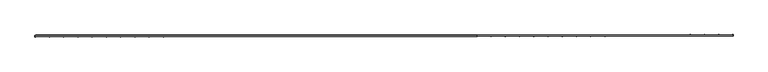
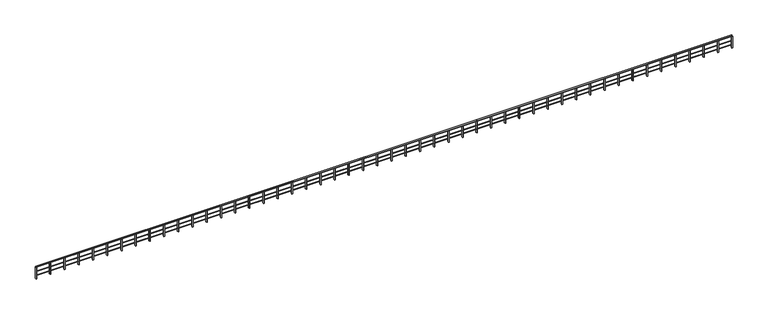
"""IFC4 building model written with IfcOpenShell, lengths in millimetres: railing geometry."""

from ifc_helpers import new_model, si_unit, point, frame, frame_2d, origin, place, context, project, spatial, polyline, circle_curve, trimmed, segment, composite_curve, outline, extrude, source, transform, mapped, element, save


def railing_6d8427d2(model_context):
    return source(origin(), model_context, "Body", "SweptSolid", [
        extrude(outline(polyline([(-29967.8674451, 93265.979979), (-29967.9749656, 93385.9799308), (7989.9281671, 93419.9903911), (7990.0356876, 93299.9904393), (-29967.8674451, 93265.979979)])), frame((0.0, 0.0, -2723.75), z_axis=(0.0, 0.0, 1.0), x_axis=(1.0, 0.0, 0.0)), (0.0, 0.0, 1.0), 50.0),
        extrude(outline(polyline([(7990.0809947, 93299.990497), (7989.88286, 93419.9903334), (29990.5770797, 93456.316217), (29990.7752144, 93336.3163806), (7990.0809947, 93299.990497)])), frame((0.0, 0.0, -2723.75), z_axis=(0.0, 0.0, 1.0), x_axis=(1.0, 0.0, 0.0)), (0.0, 0.0, 1.0), 50.0),
        extrude(outline(composite_curve([segment(trimmed(circle_curve(frame_2d((0.0, -15.0)), 15.0), [point((14.9999999, -15.0))], [point((-15.0, -15.0))], False, "CARTESIAN"), True, "CONTINUOUS"), segment(trimmed(circle_curve(frame_2d((0.0, -15.0)), 15.0), [point((-15.0, -15.0))], [point((14.9999999, -15.0))], False, "CARTESIAN"), True, "CONTINUOUS")], self_intersect=False)), frame((-29967.9525655, 93360.9799409, -3143.75), z_axis=(0.9999995985880149, 0.0008960043578402295, 0.0), x_axis=(-0.0008960043578402295, 0.9999995985880149, 0.0)), (0.0, 0.0, 1.0), 37957.8919404),
        extrude(outline(composite_curve([segment(trimmed(circle_curve(frame_2d((0.0, -15.0)), 15.0), [point((14.9999999, -15.0))], [point((-15.0, -15.0))], False, "CARTESIAN"), True, "CONTINUOUS"), segment(trimmed(circle_curve(frame_2d((0.0, -15.0)), 15.0), [point((-15.0, -15.0))], [point((14.9999999, -15.0))], False, "CARTESIAN"), True, "CONTINUOUS")], self_intersect=False)), frame((7989.9241381, 93394.9903675, -3143.75), z_axis=(0.9999986368968501, 0.001651122176512054, 0.0), x_axis=(-0.001651122176512054, 0.9999986368968501, 0.0)), (0.0, 0.0, 1.0), 22000.724209),
        extrude(outline(composite_curve([segment(trimmed(circle_curve(frame_2d((0.0, -15.0)), 15.0), [point((14.9999999, -15.0))], [point((-15.0, -15.0))], False, "CARTESIAN"), True, "CONTINUOUS"), segment(trimmed(circle_curve(frame_2d((0.0, -15.0)), 15.0), [point((-15.0, -15.0))], [point((14.9999999, -15.0))], False, "CARTESIAN"), True, "CONTINUOUS")], self_intersect=False)), frame((-29967.9525655, 93360.9799409, -3493.75), z_axis=(0.9999995985880149, 0.0008960043578402295, 0.0), x_axis=(-0.0008960043578402295, 0.9999995985880149, 0.0)), (0.0, 0.0, 1.0), 37957.8919404),
        extrude(outline(composite_curve([segment(trimmed(circle_curve(frame_2d((0.0, -15.0)), 15.0), [point((14.9999999, -15.0))], [point((-15.0, -15.0))], False, "CARTESIAN"), True, "CONTINUOUS"), segment(trimmed(circle_curve(frame_2d((0.0, -15.0)), 15.0), [point((-15.0, -15.0))], [point((14.9999999, -15.0))], False, "CARTESIAN"), True, "CONTINUOUS")], self_intersect=False)), frame((7989.9241381, 93394.9903675, -3493.75), z_axis=(0.9999986368968501, 0.001651122176512054, 0.0), x_axis=(-0.001651122176512054, 0.9999986368968501, 0.0)), (0.0, 0.0, 1.0), 22000.724209),
        extrude(outline(polyline([(28738.3163307, 93454.2485787), (28798.3162489, 93454.3476461), (28798.5143835, 93334.3478096), (28738.5144653, 93334.2487423), (28738.3163307, 93454.2485787)])), frame((0.0, 0.0, -3773.75), z_axis=(0.0, 0.0, 1.0), x_axis=(1.0, 0.0, 0.0)), (0.0, 0.0, 1.0), 1050.0),
        extrude(outline(polyline([(27516.0555407, 93452.2304741), (27576.0554589, 93452.3295414), (27576.2535935, 93332.329705), (27516.2536753, 93332.2306377), (27516.0555407, 93452.2304741)])), frame((0.0, 0.0, -3773.75), z_axis=(0.0, 0.0, 1.0), x_axis=(1.0, 0.0, 0.0)), (0.0, 0.0, 1.0), 1050.0),
        extrude(outline(polyline([(26293.7947507, 93450.2123694), (26353.7946689, 93450.3114368), (26353.9928036, 93330.3116003), (26293.9928854, 93330.212533), (26293.7947507, 93450.2123694)])), frame((0.0, 0.0, -3773.75), z_axis=(0.0, 0.0, 1.0), x_axis=(1.0, 0.0, 0.0)), (0.0, 0.0, 1.0), 1050.0),
        extrude(outline(polyline([(25071.5339607, 93448.1942648), (25131.5338789, 93448.2933321), (25131.7320136, 93328.2934957), (25071.7320954, 93328.1944284), (25071.5339607, 93448.1942648)])), frame((0.0, 0.0, -3773.75), z_axis=(0.0, 0.0, 1.0), x_axis=(1.0, 0.0, 0.0)), (0.0, 0.0, 1.0), 1050.0),
        extrude(outline(polyline([(23849.2731707, 93446.1761601), (23909.2730889, 93446.2752275), (23909.4712236, 93326.2753911), (23849.4713054, 93326.1763237), (23849.2731707, 93446.1761601)])), frame((0.0, 0.0, -3773.75), z_axis=(0.0, 0.0, 1.0), x_axis=(1.0, 0.0, 0.0)), (0.0, 0.0, 1.0), 1050.0),
        extrude(outline(polyline([(22627.0123807, 93444.1580555), (22687.012299, 93444.2571228), (22687.2104336, 93324.2572864), (22627.2105154, 93324.1582191), (22627.0123807, 93444.1580555)])), frame((0.0, 0.0, -3773.75), z_axis=(0.0, 0.0, 1.0), x_axis=(1.0, 0.0, 0.0)), (0.0, 0.0, 1.0), 1050.0),
        extrude(outline(polyline([(21404.7515908, 93442.1399509), (21464.751509, 93442.2390182), (21464.9496436, 93322.2391818), (21404.9497254, 93322.1401144), (21404.7515908, 93442.1399509)])), frame((0.0, 0.0, -3773.75), z_axis=(0.0, 0.0, 1.0), x_axis=(1.0, 0.0, 0.0)), (0.0, 0.0, 1.0), 1050.0),
        extrude(outline(polyline([(20182.4908008, 93440.1218462), (20242.490719, 93440.2209135), (20242.6888536, 93320.2210771), (20182.6889354, 93320.1220098), (20182.4908008, 93440.1218462)])), frame((0.0, 0.0, -3773.75), z_axis=(0.0, 0.0, 1.0), x_axis=(1.0, 0.0, 0.0)), (0.0, 0.0, 1.0), 1050.0),
        extrude(outline(polyline([(18960.2300108, 93438.1037416), (19020.229929, 93438.2028089), (19020.4280637, 93318.2029725), (18960.4281454, 93318.1039051), (18960.2300108, 93438.1037416)])), frame((0.0, 0.0, -3773.75), z_axis=(0.0, 0.0, 1.0), x_axis=(1.0, 0.0, 0.0)), (0.0, 0.0, 1.0), 1050.0),
        extrude(outline(polyline([(17737.9692208, 93436.0856369), (17797.969139, 93436.1847042), (17798.1672737, 93316.1848678), (17738.1673555, 93316.0858005), (17737.9692208, 93436.0856369)])), frame((0.0, 0.0, -3773.75), z_axis=(0.0, 0.0, 1.0), x_axis=(1.0, 0.0, 0.0)), (0.0, 0.0, 1.0), 1050.0),
        extrude(outline(polyline([(16515.7084308, 93434.0675323), (16575.708349, 93434.1665996), (16575.9064837, 93314.1667632), (16515.9065655, 93314.0676958), (16515.7084308, 93434.0675323)])), frame((0.0, 0.0, -3773.75), z_axis=(0.0, 0.0, 1.0), x_axis=(1.0, 0.0, 0.0)), (0.0, 0.0, 1.0), 1050.0),
        extrude(outline(polyline([(15293.4476408, 93432.0494276), (15353.4475591, 93432.148495), (15353.6456937, 93312.1486585), (15293.6457755, 93312.0495912), (15293.4476408, 93432.0494276)])), frame((0.0, 0.0, -3773.75), z_axis=(0.0, 0.0, 1.0), x_axis=(1.0, 0.0, 0.0)), (0.0, 0.0, 1.0), 1050.0),
        extrude(outline(polyline([(14071.1868509, 93430.031323), (14131.1867691, 93430.1303903), (14131.3849037, 93310.1305539), (14071.3849855, 93310.0314865), (14071.1868509, 93430.031323)])), frame((0.0, 0.0, -3773.75), z_axis=(0.0, 0.0, 1.0), x_axis=(1.0, 0.0, 0.0)), (0.0, 0.0, 1.0), 1050.0),
        extrude(outline(polyline([(12848.9260609, 93428.0132183), (12908.9259791, 93428.1122857), (12909.1241137, 93308.1124492), (12849.1241955, 93308.0133819), (12848.9260609, 93428.0132183)])), frame((0.0, 0.0, -3773.75), z_axis=(0.0, 0.0, 1.0), x_axis=(1.0, 0.0, 0.0)), (0.0, 0.0, 1.0), 1050.0),
        extrude(outline(polyline([(11626.6652709, 93425.9951137), (11686.6651891, 93426.094181), (11686.8633238, 93306.0943446), (11626.8634055, 93305.9952773), (11626.6652709, 93425.9951137)])), frame((0.0, 0.0, -3773.75), z_axis=(0.0, 0.0, 1.0), x_axis=(1.0, 0.0, 0.0)), (0.0, 0.0, 1.0), 1050.0),
        extrude(outline(polyline([(10404.4044809, 93423.977009), (10464.4043991, 93424.0760764), (10464.6025338, 93304.0762399), (10404.6026156, 93303.9771726), (10404.4044809, 93423.977009)])), frame((0.0, 0.0, -3773.75), z_axis=(0.0, 0.0, 1.0), x_axis=(1.0, 0.0, 0.0)), (0.0, 0.0, 1.0), 1050.0),
        extrude(outline(polyline([(9182.1436909, 93421.9589044), (9242.1436091, 93422.0579717), (9242.3417438, 93302.0581353), (9182.3418256, 93301.959068), (9182.1436909, 93421.9589044)])), frame((0.0, 0.0, -3773.75), z_axis=(0.0, 0.0, 1.0), x_axis=(1.0, 0.0, 0.0)), (0.0, 0.0, 1.0), 1050.0),
        extrude(outline(polyline([(6735.479691, 93418.8663994), (6795.4796669, 93418.9201596), (6795.5871874, 93298.9202078), (6735.5872115, 93298.8664475), (6735.479691, 93418.8663994)])), frame((0.0, 0.0, -3773.75), z_axis=(0.0, 0.0, 1.0), x_axis=(1.0, 0.0, 0.0)), (0.0, 0.0, 1.0), 1050.0),
        extrude(outline(polyline([(5511.0312028, 93417.7692877), (5571.0311788, 93417.823048), (5571.1386993, 93297.8230962), (5511.1387234, 93297.7693359), (5511.0312028, 93417.7692877)])), frame((0.0, 0.0, -3773.75), z_axis=(0.0, 0.0, 1.0), x_axis=(1.0, 0.0, 0.0)), (0.0, 0.0, 1.0), 1050.0),
        extrude(outline(polyline([(4286.5827147, 93416.6721761), (4346.5826906, 93416.7259364), (4346.6902111, 93296.7259845), (4286.6902352, 93296.6722243), (4286.5827147, 93416.6721761)])), frame((0.0, 0.0, -3773.75), z_axis=(0.0, 0.0, 1.0), x_axis=(1.0, 0.0, 0.0)), (0.0, 0.0, 1.0), 1050.0),
        extrude(outline(polyline([(3062.1342265, 93415.5750645), (3122.1342025, 93415.6288248), (3122.241723, 93295.6288729), (3062.2417471, 93295.5751127), (3062.1342265, 93415.5750645)])), frame((0.0, 0.0, -3773.75), z_axis=(0.0, 0.0, 1.0), x_axis=(1.0, 0.0, 0.0)), (0.0, 0.0, 1.0), 1050.0),
        extrude(outline(polyline([(1837.6857384, 93414.4779529), (1897.6857143, 93414.5317131), (1897.7932348, 93294.5317613), (1837.7932589, 93294.478001), (1837.6857384, 93414.4779529)])), frame((0.0, 0.0, -3773.75), z_axis=(0.0, 0.0, 1.0), x_axis=(1.0, 0.0, 0.0)), (0.0, 0.0, 1.0), 1050.0),
        extrude(outline(polyline([(613.2372502, 93413.3808412), (673.2372262, 93413.4346015), (673.3447467, 93293.4346497), (613.3447708, 93293.3808894), (613.2372502, 93413.3808412)])), frame((0.0, 0.0, -3773.75), z_axis=(0.0, 0.0, 1.0), x_axis=(1.0, 0.0, 0.0)), (0.0, 0.0, 1.0), 1050.0),
        extrude(outline(polyline([(-611.2112379, 93412.2837296), (-551.211262, 93412.3374899), (-551.1037415, 93292.3375381), (-611.1037174, 93292.2837778), (-611.2112379, 93412.2837296)])), frame((0.0, 0.0, -3773.75), z_axis=(0.0, 0.0, 1.0), x_axis=(1.0, 0.0, 0.0)), (0.0, 0.0, 1.0), 1050.0),
        extrude(outline(polyline([(-1835.6597261, 93411.186618), (-1775.6597502, 93411.2403783), (-1775.5522296, 93291.2404264), (-1835.5522055, 93291.1866662), (-1835.6597261, 93411.186618)])), frame((0.0, 0.0, -3773.75), z_axis=(0.0, 0.0, 1.0), x_axis=(1.0, 0.0, 0.0)), (0.0, 0.0, 1.0), 1050.0),
        extrude(outline(polyline([(-3060.1082142, 93410.0895064), (-3000.1082383, 93410.1432666), (-3000.0007178, 93290.1433148), (-3060.0006937, 93290.0895546), (-3060.1082142, 93410.0895064)])), frame((0.0, 0.0, -3773.75), z_axis=(0.0, 0.0, 1.0), x_axis=(1.0, 0.0, 0.0)), (0.0, 0.0, 1.0), 1050.0),
        extrude(outline(polyline([(-4284.5567024, 93408.9923948), (-4224.5567265, 93409.046155), (-4224.4492059, 93289.0462032), (-4284.4491819, 93288.9924429), (-4284.5567024, 93408.9923948)])), frame((0.0, 0.0, -3773.75), z_axis=(0.0, 0.0, 1.0), x_axis=(1.0, 0.0, 0.0)), (0.0, 0.0, 1.0), 1050.0),
        extrude(outline(polyline([(-5509.0051905, 93407.8952831), (-5449.0052146, 93407.9490434), (-5448.8976941, 93287.9490916), (-5508.89767, 93287.8953313), (-5509.0051905, 93407.8952831)])), frame((0.0, 0.0, -3773.75), z_axis=(0.0, 0.0, 1.0), x_axis=(1.0, 0.0, 0.0)), (0.0, 0.0, 1.0), 1050.0),
        extrude(outline(polyline([(-6733.4536787, 93406.7981715), (-6673.4537028, 93406.8519318), (-6673.3461822, 93286.8519799), (-6733.3461582, 93286.7982197), (-6733.4536787, 93406.7981715)])), frame((0.0, 0.0, -3773.75), z_axis=(0.0, 0.0, 1.0), x_axis=(1.0, 0.0, 0.0)), (0.0, 0.0, 1.0), 1050.0),
        extrude(outline(polyline([(-7957.9021668, 93405.7010599), (-7897.9021909, 93405.7548202), (-7897.7946704, 93285.7548683), (-7957.7946463, 93285.7011081), (-7957.9021668, 93405.7010599)])), frame((0.0, 0.0, -3773.75), z_axis=(0.0, 0.0, 1.0), x_axis=(1.0, 0.0, 0.0)), (0.0, 0.0, 1.0), 1050.0),
        extrude(outline(polyline([(-9182.350655, 93404.6039483), (-9122.3506791, 93404.6577085), (-9122.2431585, 93284.6577567), (-9182.2431345, 93284.6039964), (-9182.350655, 93404.6039483)])), frame((0.0, 0.0, -3773.75), z_axis=(0.0, 0.0, 1.0), x_axis=(1.0, 0.0, 0.0)), (0.0, 0.0, 1.0), 1050.0),
        extrude(outline(polyline([(-10406.7991431, 93403.5068367), (-10346.7991672, 93403.5605969), (-10346.6916467, 93283.5606451), (-10406.6916226, 93283.5068848), (-10406.7991431, 93403.5068367)])), frame((0.0, 0.0, -3773.75), z_axis=(0.0, 0.0, 1.0), x_axis=(1.0, 0.0, 0.0)), (0.0, 0.0, 1.0), 1050.0),
        extrude(outline(polyline([(-11631.2476313, 93402.409725), (-11571.2476554, 93402.4634853), (-11571.1401349, 93282.4635335), (-11631.1401108, 93282.4097732), (-11631.2476313, 93402.409725)])), frame((0.0, 0.0, -3773.75), z_axis=(0.0, 0.0, 1.0), x_axis=(1.0, 0.0, 0.0)), (0.0, 0.0, 1.0), 1050.0),
        extrude(outline(polyline([(-12855.6961194, 93401.3126134), (-12795.6961435, 93401.3663737), (-12795.588623, 93281.3664218), (-12855.5885989, 93281.3126616), (-12855.6961194, 93401.3126134)])), frame((0.0, 0.0, -3773.75), z_axis=(0.0, 0.0, 1.0), x_axis=(1.0, 0.0, 0.0)), (0.0, 0.0, 1.0), 1050.0),
        extrude(outline(polyline([(-14080.1446076, 93400.2155018), (-14020.1446317, 93400.269262), (-14020.0371112, 93280.2693102), (-14080.0370871, 93280.21555), (-14080.1446076, 93400.2155018)])), frame((0.0, 0.0, -3773.75), z_axis=(0.0, 0.0, 1.0), x_axis=(1.0, 0.0, 0.0)), (0.0, 0.0, 1.0), 1050.0),
        extrude(outline(polyline([(-15304.5930957, 93399.1183902), (-15244.5931198, 93399.1721504), (-15244.4855993, 93279.1721986), (-15304.4855752, 93279.1184383), (-15304.5930957, 93399.1183902)])), frame((0.0, 0.0, -3773.75), z_axis=(0.0, 0.0, 1.0), x_axis=(1.0, 0.0, 0.0)), (0.0, 0.0, 1.0), 1050.0),
        extrude(outline(polyline([(-16529.0415839, 93398.0212785), (-16469.041608, 93398.0750388), (-16468.9340875, 93278.075087), (-16528.9340634, 93278.0213267), (-16529.0415839, 93398.0212785)])), frame((0.0, 0.0, -3773.75), z_axis=(0.0, 0.0, 1.0), x_axis=(1.0, 0.0, 0.0)), (0.0, 0.0, 1.0), 1050.0),
        extrude(outline(polyline([(-17753.4900721, 93396.9241669), (-17693.4900961, 93396.9779272), (-17693.3825756, 93276.9779754), (-17753.3825515, 93276.9242151), (-17753.4900721, 93396.9241669)])), frame((0.0, 0.0, -3773.75), z_axis=(0.0, 0.0, 1.0), x_axis=(1.0, 0.0, 0.0)), (0.0, 0.0, 1.0), 1050.0),
        extrude(outline(polyline([(-18977.9385602, 93395.8270553), (-18917.9385843, 93395.8808156), (-18917.8310638, 93275.8808637), (-18977.8310397, 93275.8271035), (-18977.9385602, 93395.8270553)])), frame((0.0, 0.0, -3773.75), z_axis=(0.0, 0.0, 1.0), x_axis=(1.0, 0.0, 0.0)), (0.0, 0.0, 1.0), 1050.0),
        extrude(outline(polyline([(-20202.3870484, 93394.7299437), (-20142.3870724, 93394.7837039), (-20142.2795519, 93274.7837521), (-20202.2795278, 93274.7299918), (-20202.3870484, 93394.7299437)])), frame((0.0, 0.0, -3773.75), z_axis=(0.0, 0.0, 1.0), x_axis=(1.0, 0.0, 0.0)), (0.0, 0.0, 1.0), 1050.0),
        extrude(outline(polyline([(-21426.8355365, 93393.6328321), (-21366.8355606, 93393.6865923), (-21366.7280401, 93273.6866405), (-21426.728016, 93273.6328802), (-21426.8355365, 93393.6328321)])), frame((0.0, 0.0, -3773.75), z_axis=(0.0, 0.0, 1.0), x_axis=(1.0, 0.0, 0.0)), (0.0, 0.0, 1.0), 1050.0),
        extrude(outline(polyline([(-22651.2840247, 93392.5357204), (-22591.2840488, 93392.5894807), (-22591.1765282, 93272.5895289), (-22651.1765041, 93272.5357686), (-22651.2840247, 93392.5357204)])), frame((0.0, 0.0, -3773.75), z_axis=(0.0, 0.0, 1.0), x_axis=(1.0, 0.0, 0.0)), (0.0, 0.0, 1.0), 1050.0),
        extrude(outline(polyline([(-23875.7325128, 93391.4386088), (-23815.7325369, 93391.4923691), (-23815.6250164, 93271.4924172), (-23875.6249923, 93271.438657), (-23875.7325128, 93391.4386088)])), frame((0.0, 0.0, -3773.75), z_axis=(0.0, 0.0, 1.0), x_axis=(1.0, 0.0, 0.0)), (0.0, 0.0, 1.0), 1050.0),
        extrude(outline(polyline([(-25100.181001, 93390.3414972), (-25040.1810251, 93390.3952575), (-25040.0735045, 93270.3953056), (-25100.0734804, 93270.3415454), (-25100.181001, 93390.3414972)])), frame((0.0, 0.0, -3773.75), z_axis=(0.0, 0.0, 1.0), x_axis=(1.0, 0.0, 0.0)), (0.0, 0.0, 1.0), 1050.0),
        extrude(outline(polyline([(-26324.6294891, 93389.2443856), (-26264.6295132, 93389.2981458), (-26264.5219927, 93269.298194), (-26324.5219686, 93269.2444337), (-26324.6294891, 93389.2443856)])), frame((0.0, 0.0, -3773.75), z_axis=(0.0, 0.0, 1.0), x_axis=(1.0, 0.0, 0.0)), (0.0, 0.0, 1.0), 1050.0),
        extrude(outline(polyline([(-27549.0779773, 93388.1472739), (-27489.0780014, 93388.2010342), (-27488.9704808, 93268.2010824), (-27548.9704568, 93268.1473221), (-27549.0779773, 93388.1472739)])), frame((0.0, 0.0, -3773.75), z_axis=(0.0, 0.0, 1.0), x_axis=(1.0, 0.0, 0.0)), (0.0, 0.0, 1.0), 1050.0),
        extrude(outline(polyline([(-28773.5264654, 93387.0501623), (-28713.5264895, 93387.1039226), (-28713.418969, 93267.1039708), (-28773.4189449, 93267.0502105), (-28773.5264654, 93387.0501623)])), frame((0.0, 0.0, -3773.75), z_axis=(0.0, 0.0, 1.0), x_axis=(1.0, 0.0, 0.0)), (0.0, 0.0, 1.0), 1050.0),
        extrude(outline(polyline([(7959.9281792, 93419.963511), (8019.9281551, 93420.0172712), (8020.0356756, 93300.0173194), (7960.0356997, 93299.9635591), (7959.9281792, 93419.963511)])), frame((0.0, 0.0, -3773.75), z_axis=(0.0, 0.0, 1.0), x_axis=(1.0, 0.0, 0.0)), (0.0, 0.0, 1.0), 1050.0),
        extrude(outline(polyline([(29947.877138, 93456.2457141), (30007.8770562, 93456.3447815), (30008.0751908, 93336.344945), (29948.0752726, 93336.2458777), (29947.877138, 93456.2457141)])), frame((0.0, 0.0, -3773.75), z_axis=(0.0, 0.0, 1.0), x_axis=(1.0, 0.0, 0.0)), (0.0, 0.0, 1.0), 1050.0),
        extrude(outline(polyline([(-29985.2749587, 93385.96443), (-29925.2749828, 93386.0181902), (-29925.1674622, 93266.0182384), (-29985.1674382, 93265.9644781), (-29985.2749587, 93385.96443)])), frame((0.0, 0.0, -3773.75), z_axis=(0.0, 0.0, 1.0), x_axis=(1.0, 0.0, 0.0)), (0.0, 0.0, 1.0), 1050.0),
    ])


if __name__ == "__main__":
    model = new_model("IFC4")
    model_context = context("Model", 3, world=origin())
    ifc_project = project(units=[si_unit("LENGTHUNIT", "METRE", prefix="MILLI")], contexts=[model_context])
    site = spatial("IfcSite", under=ifc_project)
    building = spatial("IfcBuilding", under=site)
    placement = place(None, origin())
    railing_shape = railing_6d8427d2(model_context)
    element("IfcRailing", 1, at=placement, inside=building, context=model_context, shape_type="MappedRepresentation", body=[
        mapped(railing_shape, transform((0.0, 0.0, 0.0), x_axis=(1.0, 0.0, 0.0), y_axis=(0.0, 1.0, 0.0), z_axis=(0.0, 0.0, 1.0))),
    ])
    save(model, "model.ifc")
